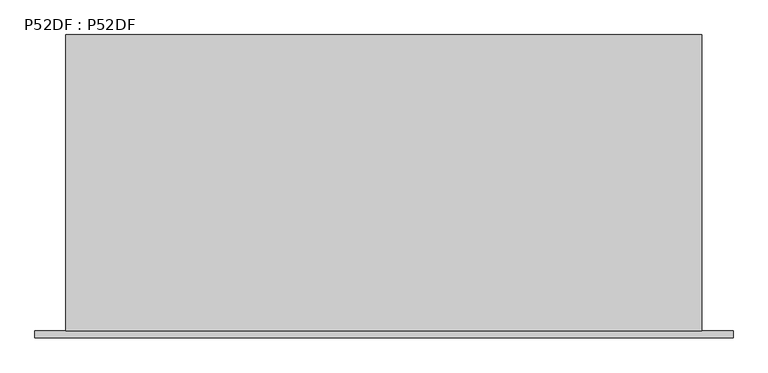
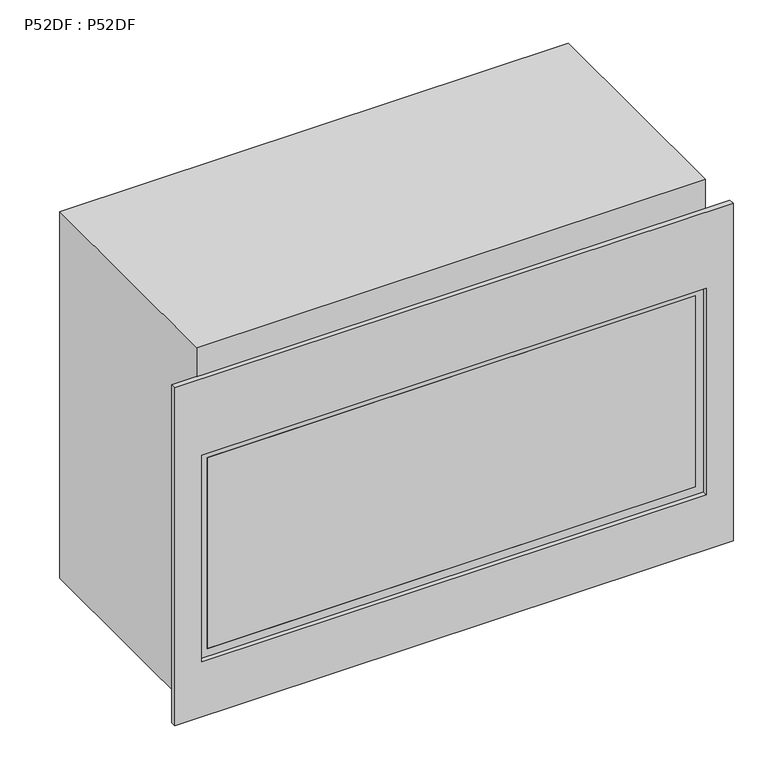
"""IFC4 building model written with IfcOpenShell, lengths in millimetres: proxy geometry, P52DF : P52DF."""

from ifc_helpers import new_model, si_unit, frame, origin, origin_with_axes, place, context, project, spatial, polyline, outline, extrude, source, transform, mapped, element, save


def p52df_p52df_baad7d44(model_context):
    return source(origin(), model_context, "Body", "SweptSolid", [
        extrude(outline(polyline([(601.5719995, 0.0), (-601.7530337, 0.0), (-601.7530337, 560.7304029), (601.5719995, 560.7304029), (601.5719995, 0.0)])), origin_with_axes(), (0.0, 0.0, 1.0), 917.575),
        extrude(outline(polyline([(654.05, -596.9), (137.5833333, -596.9), (137.5833333, 596.9), (654.05, 596.9), (654.05, -596.9)]), holes=[polyline([(156.6333333, -577.85), (635.0, -577.85), (635.0, 577.85), (156.6333333, 577.85), (156.6333333, -577.85)])]), frame((0.0, -1.5875, 0.0), z_axis=(0.0, 1.0, 0.0), x_axis=(0.0, 0.0, 1.0)), (0.0, 0.0, 1.0), 1.5875),
        extrude(outline(polyline([(577.85, -1.5875), (-577.85, -1.5875), (-577.85, 0.0), (577.85, 0.0), (577.85, -1.5875)])), frame((0.0, 0.0, 156.6333333), z_axis=(0.0, 0.0, 1.0), x_axis=(1.0, 0.0, 0.0)), (0.0, 0.0, 1.0), 478.3666667),
        extrude(outline(polyline([(0.0, 660.4), (844.55, 660.4), (844.55, -660.4), (0.0, -660.4), (0.0, 660.4)]), holes=[polyline([(654.05, -596.9), (654.05, 596.9), (137.5833333, 596.9), (137.5833333, -596.9), (654.05, -596.9)])]), frame((0.0, -12.7, 0.0), z_axis=(0.0, 1.0, 0.0), x_axis=(0.0, 0.0, 1.0)), (0.0, 0.0, 1.0), 12.7),
    ])


if __name__ == "__main__":
    model = new_model("IFC4")
    model_context = context("Model", 3, world=origin())
    ifc_project = project(units=[si_unit("LENGTHUNIT", "METRE", prefix="MILLI")], contexts=[model_context])
    site = spatial("IfcSite", under=ifc_project)
    building = spatial("IfcBuilding", under=site)
    placement = place(None, origin())
    p52df_p52df_shape = p52df_p52df_baad7d44(model_context)
    element("IfcBuildingElementProxy", 1, Name="P52DF : P52DF", ObjectType="P52DF : P52DF", at=placement, inside=building, context=model_context, shape_type="MappedRepresentation", body=[
        mapped(p52df_p52df_shape, transform((0.0, 0.0, 0.0), x_axis=(1.0, 0.0, 0.0), y_axis=(0.0, 1.0, 0.0), z_axis=(0.0, 0.0, 1.0))),
    ])
    save(model, "model.ifc")
